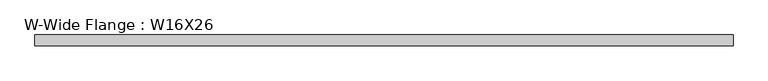
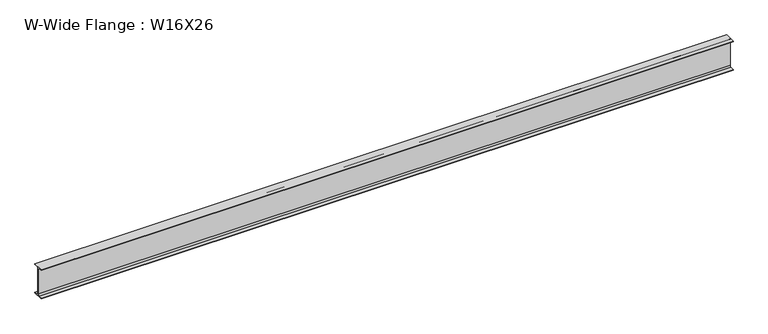
"""IFC4 building model written with IfcOpenShell, lengths in millimetres: beam geometry, W-Wide Flange : W16X26."""

from ifc_helpers import new_model, si_unit, point, frame, frame_2d, origin, place, context, project, spatial, polyline, circle_curve, trimmed, segment, composite_curve, outline, extrude, source, transform, mapped, element, save


def w_wide_flange_w16x26_52d161af(model_context):
    return source(origin(), model_context, "Body", "SweptSolid", [
        extrude(outline(composite_curve([segment(polyline([(69.85, -190.5496094), (69.85, -199.2808594), (-69.85, -199.2808594), (-69.85, -190.5496094), (-21.43125, -190.5496094)]), True, "CONTINUOUS"), segment(trimmed(circle_curve(frame_2d((-21.43125, -172.2933594)), 18.25625), [point((-21.43125, -190.5496094))], [point((-3.175, -172.2933594))], True, "CARTESIAN"), True, "CONTINUOUS"), segment(polyline([(-3.175, -172.2933594), (-3.175, 172.2933594)]), True, "CONTINUOUS"), segment(trimmed(circle_curve(frame_2d((-21.43125, 172.2933594)), 18.25625), [point((-3.175, 172.2933594))], [point((-21.43125, 190.5496094))], True, "CARTESIAN"), True, "CONTINUOUS"), segment(polyline([(-21.43125, 190.5496094), (-69.85, 190.5496094), (-69.85, 199.2808594), (69.85, 199.2808594), (69.85, 190.5496094), (21.43125, 190.5496094)]), True, "CONTINUOUS"), segment(trimmed(circle_curve(frame_2d((21.43125, 172.2933594)), 18.25625), [point((21.43125, 190.5496094))], [point((3.175, 172.2933594))], True, "CARTESIAN"), True, "CONTINUOUS"), segment(polyline([(3.175, 172.2933594), (3.175, -172.2933594)]), True, "CONTINUOUS"), segment(trimmed(circle_curve(frame_2d((21.43125, -172.2933594)), 18.25625), [point((3.175, -172.2933594))], [point((21.43125, -190.5496094))], True, "CARTESIAN"), True, "CONTINUOUS"), segment(polyline([(21.43125, -190.5496094), (69.85, -190.5496094)]), True, "CONTINUOUS")], self_intersect=False)), frame((-4455.1699219, 0.0, 0.0), z_axis=(1.0, 0.0, 0.0), x_axis=(0.0, 1.0, 0.0)), (0.0, 0.0, 1.0), 8963.6203125),
    ])


if __name__ == "__main__":
    model = new_model("IFC4")
    model_context = context("Model", 3, world=origin())
    ifc_project = project(units=[si_unit("LENGTHUNIT", "METRE", prefix="MILLI")], contexts=[model_context])
    site = spatial("IfcSite", under=ifc_project)
    building = spatial("IfcBuilding", under=site)
    placement = place(None, origin())
    w_wide_flange_w16x26_shape = w_wide_flange_w16x26_52d161af(model_context)
    element("IfcBeam", 1, ObjectType="W-Wide Flange : W16X26", at=placement, inside=building, context=model_context, shape_type="MappedRepresentation", body=[
        mapped(w_wide_flange_w16x26_shape, transform((0.0, 0.0, 0.0), x_axis=(1.0, 0.0, 0.0), y_axis=(0.0, 1.0, 0.0), z_axis=(0.0, 0.0, 1.0))),
    ])
    save(model, "model.ifc")
